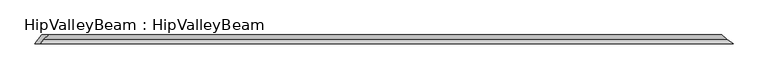
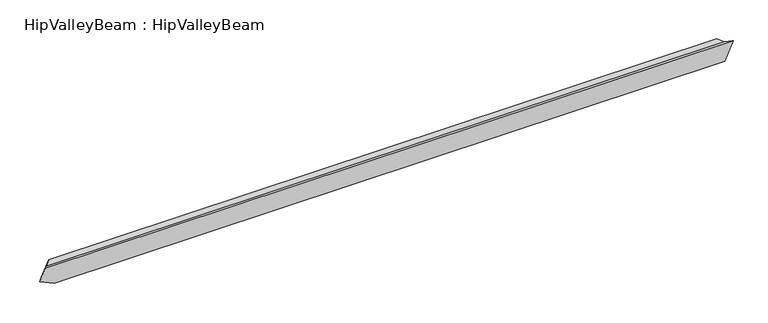
"""IFC4 building model written with IfcOpenShell, lengths in millimetres: beam geometry, HipValleyBeam : HipValleyBeam."""

from ifc_helpers import new_model, si_unit, origin, place, context, project, spatial, faceted_brep, source, transform, mapped, element, save


def hipvalleybeam_hipvalleybeam_bd041842(model_context):
    return source(origin(), model_context, "Body", "Brep", [
        faceted_brep([(3004.6956156, 40.0, -140.3557131), (3110.5000449, -40.0, -140.3557131), (-3076.9044377, -40.0, -140.3557131), (-3076.9044377, 40.0, -140.3557131), (3084.6011199, 40.0, 39.2885738), (-3149.3684325, 40.0, -108.1238389), (-3083.7996166, 40.0, 39.2885738), (3187.6515402, -40.0, 33.0969856), (-3159.0100663, -40.0, 33.0969856), (-3209.8573935, -40.0, -81.2184415), (3128.7655857, 0.0, 19.6442869), (-3128.7655857, 0.0, 19.6442869)], [[[0, 1, 2, 3]], [[4, 0, 3, 5, 6]], [[1, 7, 8, 9, 2]], [[1, 0, 4, 10, 7]], [[8, 11, 6, 5, 9]], [[11, 10, 4, 6]], [[3, 2, 9, 5]], [[10, 11, 8, 7]]]),
    ])


if __name__ == "__main__":
    model = new_model("IFC4")
    model_context = context("Model", 3, world=origin())
    ifc_project = project(units=[si_unit("LENGTHUNIT", "METRE", prefix="MILLI")], contexts=[model_context])
    site = spatial("IfcSite", under=ifc_project)
    building = spatial("IfcBuilding", under=site)
    placement = place(None, origin())
    hipvalleybeam_hipvalleybeam_shape = hipvalleybeam_hipvalleybeam_bd041842(model_context)
    element("IfcBeam", 1, ObjectType="HipValleyBeam : HipValleyBeam", at=placement, inside=building, context=model_context, shape_type="MappedRepresentation", body=[
        mapped(hipvalleybeam_hipvalleybeam_shape, transform((0.0, 0.0, 0.0), x_axis=(1.0, 0.0, 0.0), y_axis=(0.0, 1.0, 0.0), z_axis=(0.0, 0.0, 1.0))),
    ])
    save(model, "model.ifc")
